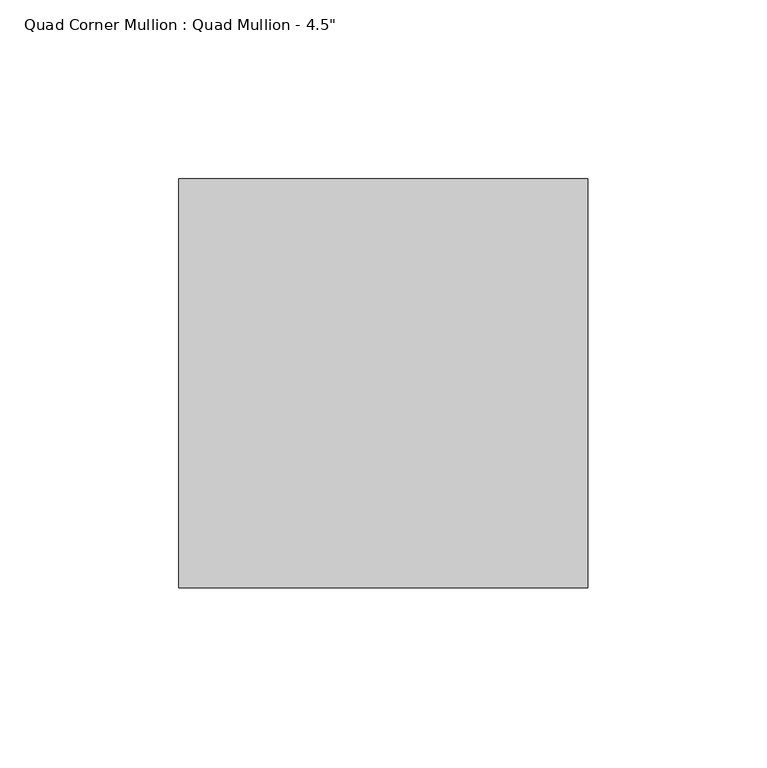
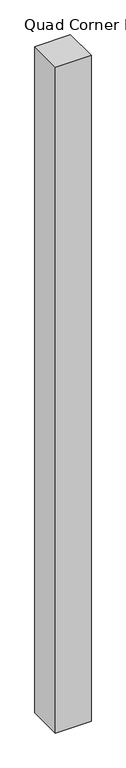
"""IFC4 building model written with IfcOpenShell, lengths in millimetres: member geometry."""

import ifcopenshell
import ifcopenshell.guid

model = None  # the IFC model being written
_history = None  # IfcOwnerHistory: only IFC2X3 demands one
_inside = {}  # id of a spatial element -> (the spatial element, [elements in it])
_under = {}  # id of a project, library or spatial element -> (it, [spatial elements below it])
_declared = {}  # id of a project -> (the project, [libraries it declares])
_typed = {}  # id of a type object -> (the type object, [elements of that type])
_made_of = {}  # id of a material, layer set ... -> (it, [elements and type objects made of it])


def new_model(schema):
    """Start an empty IFC model of exactly this schema.

    Asked for "IFC4X3", IfcOpenShell would pick the latest addendum, in which some entities
    have other attributes; the version numbers below select the first issue.
    IFC2X3 requires an IfcOwnerHistory on every rooted entity: one is made here for all.
    """
    global model, _history
    if schema == "IFC4X3":
        model = ifcopenshell.file(schema_version=(4, 3, 0, 0))
    else:
        model = ifcopenshell.file(schema=schema)
    _inside.clear()
    _under.clear()
    _declared.clear()
    _typed.clear()
    _made_of.clear()
    _history = None
    if model.schema == "IFC2X3":
        org = make("IfcOrganization", Name="unknown")
        user = make(
            "IfcPersonAndOrganization",
            ThePerson=make("IfcPerson", FamilyName="unknown"),
            TheOrganization=org,
        )
        app = make(
            "IfcApplication",
            ApplicationDeveloper=org,
            Version="unknown",
            ApplicationFullName="unknown",
            ApplicationIdentifier="unknown",
        )
        _history = make(
            "IfcOwnerHistory",
            OwningUser=user,
            OwningApplication=app,
            ChangeAction="ADDED",
            CreationDate=0,
        )
    return model


def make(cls, **values):
    """One entity of the class cls with the attributes given. An attribute that is None is left unset."""
    return model.create_entity(
        cls, **{name: value for name, value in values.items() if value is not None}
    )


def rooted(cls, **values):
    """An entity with a GlobalId (a new one), such as an element, a storey or a relation."""
    return make(cls, GlobalId=ifcopenshell.guid.new(), OwnerHistory=_history, **values)


def si_unit(unit_type, name, prefix=None):
    """IfcSIUnit, for example si_unit("LENGTHUNIT", "METRE", prefix="MILLI")."""
    return make("IfcSIUnit", UnitType=unit_type, Prefix=prefix, Name=name)


def assignment(units):
    """IfcUnitAssignment: the units of a project."""
    return None if units is None else make("IfcUnitAssignment", Units=units)


def point(xyz):
    """IfcCartesianPoint."""
    return None if xyz is None else make("IfcCartesianPoint", Coordinates=xyz)


def direction(xyz):
    """IfcDirection."""
    return None if xyz is None else make("IfcDirection", DirectionRatios=xyz)


def frame(location, z_axis=None, x_axis=None):
    """IfcAxis2Placement3D, a coordinate frame: its origin and axes. An axis left out is left unset."""
    return make(
        "IfcAxis2Placement3D",
        Location=point(location),
        Axis=direction(z_axis),
        RefDirection=direction(x_axis),
    )


def origin():
    """The frame at (0, 0, 0) with its axes left unset."""
    return frame((0.0, 0.0, 0.0))


def place(relative_to, where):
    """IfcLocalPlacement: puts the frame where relative to a parent placement (None: the world)."""
    return make(
        "IfcLocalPlacement", PlacementRelTo=relative_to, RelativePlacement=where
    )


def context(
    kind, dimensions, precision=None, world=None, true_north=None, identifier=None
):
    """IfcGeometricRepresentationContext, for example the 3D "Model" context."""
    return make(
        "IfcGeometricRepresentationContext",
        ContextIdentifier=identifier,
        ContextType=kind,
        CoordinateSpaceDimension=dimensions,
        Precision=precision,
        WorldCoordinateSystem=world,
        TrueNorth=true_north,
    )


def project(units=None, contexts=None):
    """IfcProject with its units and contexts."""
    return rooted(
        "IfcProject",
        Name="project",
        RepresentationContexts=contexts,
        UnitsInContext=assignment(units),
    )


def spatial(cls, under=None, at=None, **own):
    """A site, building, storey or space (cls), placed at a placement, below another one or the project."""
    s = rooted(cls, ObjectPlacement=at, **own)
    if under is not None:
        _under.setdefault(under.id(), (under, []))[1].append(s)
    return s


def polyline(points):
    """IfcPolyline through the points."""
    return make("IfcPolyline", Points=[point(p) for p in points])


def outline(outer, holes=None, kind="AREA"):
    """IfcArbitraryClosedProfileDef: a profile drawn as a closed curve; with holes, ...WithVoids."""
    if holes is None:
        return make("IfcArbitraryClosedProfileDef", ProfileType=kind, OuterCurve=outer)
    return make(
        "IfcArbitraryProfileDefWithVoids",
        ProfileType=kind,
        OuterCurve=outer,
        InnerCurves=holes,
    )


def extrude(swept, where, along, depth):
    """IfcExtrudedAreaSolid: the profile swept, set in the frame where, extruded along a direction by depth."""
    return make(
        "IfcExtrudedAreaSolid",
        SweptArea=swept,
        Position=where,
        ExtrudedDirection=direction(along),
        Depth=depth,
    )


def shape(context_of_items, identifier, shape_type, items):
    """IfcShapeRepresentation: the items that make up one representation, for example the "Body"."""
    return make(
        "IfcShapeRepresentation",
        ContextOfItems=context_of_items,
        RepresentationIdentifier=identifier,
        RepresentationType=shape_type,
        Items=items,
    )


def source(mapping_origin, context_of_items, identifier, shape_type, items):
    """IfcRepresentationMap: a shape defined once, which mapped items show again and again."""
    return make(
        "IfcRepresentationMap",
        MappingOrigin=mapping_origin,
        MappedRepresentation=shape(context_of_items, identifier, shape_type, items),
    )


def transform(
    local_origin,
    x_axis=None,
    y_axis=None,
    z_axis=None,
    scale=None,
    scale2=None,
    scale3=None,
    uniform=True,
):
    """IfcCartesianTransformationOperator3D, or its non-uniform kind. x_axis, y_axis, z_axis: its Axis1, 2, 3."""
    if uniform:
        return make(
            "IfcCartesianTransformationOperator3D",
            Axis1=direction(x_axis),
            Axis2=direction(y_axis),
            LocalOrigin=point(local_origin),
            Scale=scale,
            Axis3=direction(z_axis),
        )
    return make(
        "IfcCartesianTransformationOperator3DnonUniform",
        Axis1=direction(x_axis),
        Axis2=direction(y_axis),
        LocalOrigin=point(local_origin),
        Scale=scale,
        Axis3=direction(z_axis),
        Scale2=scale2,
        Scale3=scale3,
    )


def mapped(mapping_source, mapping_target):
    """IfcMappedItem: shows the shape of a source again, moved by a transform."""
    return make(
        "IfcMappedItem", MappingSource=mapping_source, MappingTarget=mapping_target
    )


def made_of(thing, what):
    """Note that an element or type object is made of a material, layer set ...; save() writes the relation."""
    if what is not None:
        _made_of.setdefault(what.id(), (what, []))[1].append(thing)
    return thing


def element(
    cls,
    number,
    at=None,
    inside=None,
    cuts=None,
    type_object=None,
    material=None,
    context=None,
    identifier="Body",
    shape_type=None,
    held_by="IfcProductDefinitionShape",
    body=None,
    shapes=None,
    **own,
):
    """One element of the class cls, such as IfcWall. Its Tag is "e" and its number.

    at: its placement. inside: the storey or other place that contains it. cuts: it is an
    opening in that element (IfcRelVoidsElement). A single representation is given by context,
    identifier, shape_type and body (its items); several are given by shapes. held_by: the class
    of the entity that holds the representations. save() writes the other relations.
    """
    e = rooted(cls, Tag="e%d" % number, ObjectPlacement=at, **own)
    if body is not None:
        shapes = [shape(context, identifier, shape_type, body)]
    if shapes is not None:
        e.Representation = make(held_by, Representations=shapes)
    if inside is not None:
        _inside.setdefault(inside.id(), (inside, []))[1].append(e)
    if cuts is not None:
        rooted(
            "IfcRelVoidsElement", RelatingBuildingElement=cuts, RelatedOpeningElement=e
        )
    if type_object is not None:
        _typed.setdefault(type_object.id(), (type_object, []))[1].append(e)
    return made_of(e, material)


def aggregate(whole, parts):
    """IfcRelAggregates: a whole, such as a stair, and the parts it consists of."""
    return rooted("IfcRelAggregates", RelatingObject=whole, RelatedObjects=parts)


def save(model, path):
    """Write the relations noted so far, then the file.

    IfcRelAggregates (storeys below a building ...), IfcRelContainedInSpatialStructure (elements
    in a storey), IfcRelDefinesByType, IfcRelAssociatesMaterial and IfcRelDeclares: one each for
    every whole, place, type object, material and project.
    """
    for whole, parts in _under.values():
        aggregate(whole, parts)
    for where, things in _inside.values():
        rooted(
            "IfcRelContainedInSpatialStructure",
            RelatedElements=things,
            RelatingStructure=where,
        )
    for kind, things in _typed.values():
        rooted("IfcRelDefinesByType", RelatedObjects=things, RelatingType=kind)
    for what, things in _made_of.values():
        rooted("IfcRelAssociatesMaterial", RelatedObjects=things, RelatingMaterial=what)
    for by, libraries in _declared.values():
        rooted("IfcRelDeclares", RelatingContext=by, RelatedDefinitions=libraries)
    model.write(path)


def member_fd4f5dfe(model_context):
    return source(origin(), model_context, "Body", "SweptSolid", [
        extrude(outline(polyline([(57.15, -57.15), (-57.15, -57.15), (-57.15, 57.15), (57.15, 57.15), (57.15, -57.15)])), frame((0.0, 0.0, -2263.0423077), z_axis=(0.0, 0.0, 1.0), x_axis=(1.0, 0.0, 0.0)), (0.0, 0.0, 1.0), 2263.0423077),
    ])


if __name__ == "__main__":
    model = new_model("IFC4")
    model_context = context("Model", 3, world=origin())
    ifc_project = project(units=[si_unit("LENGTHUNIT", "METRE", prefix="MILLI")], contexts=[model_context])
    site = spatial("IfcSite", under=ifc_project)
    building = spatial("IfcBuilding", under=site)
    placement = place(None, origin())
    member_shape = member_fd4f5dfe(model_context)
    element("IfcMember", 1, ObjectType="Quad Corner Mullion : Quad Mullion - 4.5\"", at=placement, inside=building, context=model_context, shape_type="MappedRepresentation", body=[
        mapped(member_shape, transform((0.0, 0.0, 0.0), x_axis=(1.0, 0.0, 0.0), y_axis=(0.0, 1.0, 0.0), z_axis=(0.0, 0.0, 1.0))),
    ])
    save(model, "model.ifc")
